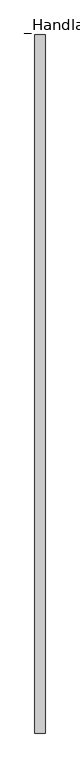
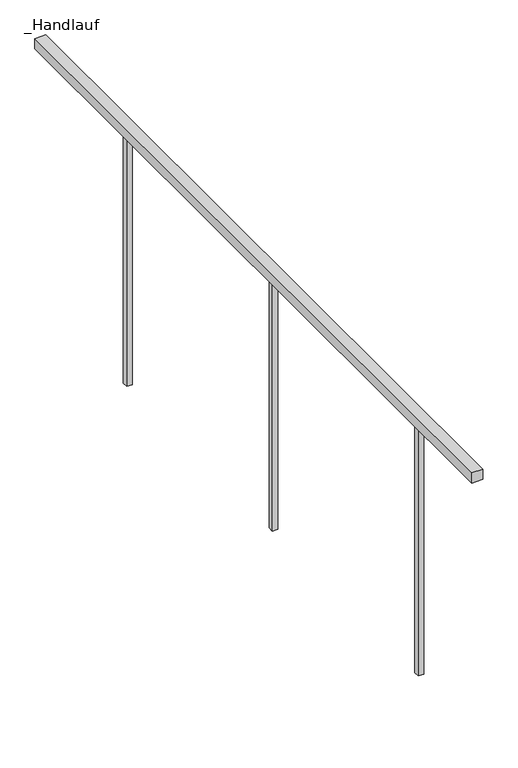
"""IFC4 building model written with IfcOpenShell, lengths in millimetres: railing geometry, _Handlauf."""

import ifcopenshell
import ifcopenshell.guid

model = None  # the IFC model being written
_history = None  # IfcOwnerHistory: only IFC2X3 demands one
_inside = {}  # id of a spatial element -> (the spatial element, [elements in it])
_under = {}  # id of a project, library or spatial element -> (it, [spatial elements below it])
_declared = {}  # id of a project -> (the project, [libraries it declares])
_typed = {}  # id of a type object -> (the type object, [elements of that type])
_made_of = {}  # id of a material, layer set ... -> (it, [elements and type objects made of it])


def new_model(schema):
    """Start an empty IFC model of exactly this schema.

    Asked for "IFC4X3", IfcOpenShell would pick the latest addendum, in which some entities
    have other attributes; the version numbers below select the first issue.
    IFC2X3 requires an IfcOwnerHistory on every rooted entity: one is made here for all.
    """
    global model, _history
    if schema == "IFC4X3":
        model = ifcopenshell.file(schema_version=(4, 3, 0, 0))
    else:
        model = ifcopenshell.file(schema=schema)
    _inside.clear()
    _under.clear()
    _declared.clear()
    _typed.clear()
    _made_of.clear()
    _history = None
    if model.schema == "IFC2X3":
        org = make("IfcOrganization", Name="unknown")
        user = make(
            "IfcPersonAndOrganization",
            ThePerson=make("IfcPerson", FamilyName="unknown"),
            TheOrganization=org,
        )
        app = make(
            "IfcApplication",
            ApplicationDeveloper=org,
            Version="unknown",
            ApplicationFullName="unknown",
            ApplicationIdentifier="unknown",
        )
        _history = make(
            "IfcOwnerHistory",
            OwningUser=user,
            OwningApplication=app,
            ChangeAction="ADDED",
            CreationDate=0,
        )
    return model


def make(cls, **values):
    """One entity of the class cls with the attributes given. An attribute that is None is left unset."""
    return model.create_entity(
        cls, **{name: value for name, value in values.items() if value is not None}
    )


def rooted(cls, **values):
    """An entity with a GlobalId (a new one), such as an element, a storey or a relation."""
    return make(cls, GlobalId=ifcopenshell.guid.new(), OwnerHistory=_history, **values)


def si_unit(unit_type, name, prefix=None):
    """IfcSIUnit, for example si_unit("LENGTHUNIT", "METRE", prefix="MILLI")."""
    return make("IfcSIUnit", UnitType=unit_type, Prefix=prefix, Name=name)


def assignment(units):
    """IfcUnitAssignment: the units of a project."""
    return None if units is None else make("IfcUnitAssignment", Units=units)


def point(xyz):
    """IfcCartesianPoint."""
    return None if xyz is None else make("IfcCartesianPoint", Coordinates=xyz)


def direction(xyz):
    """IfcDirection."""
    return None if xyz is None else make("IfcDirection", DirectionRatios=xyz)


def frame(location, z_axis=None, x_axis=None):
    """IfcAxis2Placement3D, a coordinate frame: its origin and axes. An axis left out is left unset."""
    return make(
        "IfcAxis2Placement3D",
        Location=point(location),
        Axis=direction(z_axis),
        RefDirection=direction(x_axis),
    )


def origin():
    """The frame at (0, 0, 0) with its axes left unset."""
    return frame((0.0, 0.0, 0.0))


def place(relative_to, where):
    """IfcLocalPlacement: puts the frame where relative to a parent placement (None: the world)."""
    return make(
        "IfcLocalPlacement", PlacementRelTo=relative_to, RelativePlacement=where
    )


def context(
    kind, dimensions, precision=None, world=None, true_north=None, identifier=None
):
    """IfcGeometricRepresentationContext, for example the 3D "Model" context."""
    return make(
        "IfcGeometricRepresentationContext",
        ContextIdentifier=identifier,
        ContextType=kind,
        CoordinateSpaceDimension=dimensions,
        Precision=precision,
        WorldCoordinateSystem=world,
        TrueNorth=true_north,
    )


def project(units=None, contexts=None):
    """IfcProject with its units and contexts."""
    return rooted(
        "IfcProject",
        Name="project",
        RepresentationContexts=contexts,
        UnitsInContext=assignment(units),
    )


def spatial(cls, under=None, at=None, **own):
    """A site, building, storey or space (cls), placed at a placement, below another one or the project."""
    s = rooted(cls, ObjectPlacement=at, **own)
    if under is not None:
        _under.setdefault(under.id(), (under, []))[1].append(s)
    return s


def polyline(points):
    """IfcPolyline through the points."""
    return make("IfcPolyline", Points=[point(p) for p in points])


def outline(outer, holes=None, kind="AREA"):
    """IfcArbitraryClosedProfileDef: a profile drawn as a closed curve; with holes, ...WithVoids."""
    if holes is None:
        return make("IfcArbitraryClosedProfileDef", ProfileType=kind, OuterCurve=outer)
    return make(
        "IfcArbitraryProfileDefWithVoids",
        ProfileType=kind,
        OuterCurve=outer,
        InnerCurves=holes,
    )


def extrude(swept, where, along, depth):
    """IfcExtrudedAreaSolid: the profile swept, set in the frame where, extruded along a direction by depth."""
    return make(
        "IfcExtrudedAreaSolid",
        SweptArea=swept,
        Position=where,
        ExtrudedDirection=direction(along),
        Depth=depth,
    )


def shape(context_of_items, identifier, shape_type, items):
    """IfcShapeRepresentation: the items that make up one representation, for example the "Body"."""
    return make(
        "IfcShapeRepresentation",
        ContextOfItems=context_of_items,
        RepresentationIdentifier=identifier,
        RepresentationType=shape_type,
        Items=items,
    )


def source(mapping_origin, context_of_items, identifier, shape_type, items):
    """IfcRepresentationMap: a shape defined once, which mapped items show again and again."""
    return make(
        "IfcRepresentationMap",
        MappingOrigin=mapping_origin,
        MappedRepresentation=shape(context_of_items, identifier, shape_type, items),
    )


def transform(
    local_origin,
    x_axis=None,
    y_axis=None,
    z_axis=None,
    scale=None,
    scale2=None,
    scale3=None,
    uniform=True,
):
    """IfcCartesianTransformationOperator3D, or its non-uniform kind. x_axis, y_axis, z_axis: its Axis1, 2, 3."""
    if uniform:
        return make(
            "IfcCartesianTransformationOperator3D",
            Axis1=direction(x_axis),
            Axis2=direction(y_axis),
            LocalOrigin=point(local_origin),
            Scale=scale,
            Axis3=direction(z_axis),
        )
    return make(
        "IfcCartesianTransformationOperator3DnonUniform",
        Axis1=direction(x_axis),
        Axis2=direction(y_axis),
        LocalOrigin=point(local_origin),
        Scale=scale,
        Axis3=direction(z_axis),
        Scale2=scale2,
        Scale3=scale3,
    )


def mapped(mapping_source, mapping_target):
    """IfcMappedItem: shows the shape of a source again, moved by a transform."""
    return make(
        "IfcMappedItem", MappingSource=mapping_source, MappingTarget=mapping_target
    )


def made_of(thing, what):
    """Note that an element or type object is made of a material, layer set ...; save() writes the relation."""
    if what is not None:
        _made_of.setdefault(what.id(), (what, []))[1].append(thing)
    return thing


def element(
    cls,
    number,
    at=None,
    inside=None,
    cuts=None,
    type_object=None,
    material=None,
    context=None,
    identifier="Body",
    shape_type=None,
    held_by="IfcProductDefinitionShape",
    body=None,
    shapes=None,
    **own,
):
    """One element of the class cls, such as IfcWall. Its Tag is "e" and its number.

    at: its placement. inside: the storey or other place that contains it. cuts: it is an
    opening in that element (IfcRelVoidsElement). A single representation is given by context,
    identifier, shape_type and body (its items); several are given by shapes. held_by: the class
    of the entity that holds the representations. save() writes the other relations.
    """
    e = rooted(cls, Tag="e%d" % number, ObjectPlacement=at, **own)
    if body is not None:
        shapes = [shape(context, identifier, shape_type, body)]
    if shapes is not None:
        e.Representation = make(held_by, Representations=shapes)
    if inside is not None:
        _inside.setdefault(inside.id(), (inside, []))[1].append(e)
    if cuts is not None:
        rooted(
            "IfcRelVoidsElement", RelatingBuildingElement=cuts, RelatedOpeningElement=e
        )
    if type_object is not None:
        _typed.setdefault(type_object.id(), (type_object, []))[1].append(e)
    return made_of(e, material)


def aggregate(whole, parts):
    """IfcRelAggregates: a whole, such as a stair, and the parts it consists of."""
    return rooted("IfcRelAggregates", RelatingObject=whole, RelatedObjects=parts)


def save(model, path):
    """Write the relations noted so far, then the file.

    IfcRelAggregates (storeys below a building ...), IfcRelContainedInSpatialStructure (elements
    in a storey), IfcRelDefinesByType, IfcRelAssociatesMaterial and IfcRelDeclares: one each for
    every whole, place, type object, material and project.
    """
    for whole, parts in _under.values():
        aggregate(whole, parts)
    for where, things in _inside.values():
        rooted(
            "IfcRelContainedInSpatialStructure",
            RelatedElements=things,
            RelatingStructure=where,
        )
    for kind, things in _typed.values():
        rooted("IfcRelDefinesByType", RelatedObjects=things, RelatingType=kind)
    for what, things in _made_of.values():
        rooted("IfcRelAssociatesMaterial", RelatedObjects=things, RelatingMaterial=what)
    for by, libraries in _declared.values():
        rooted("IfcRelDeclares", RelatingContext=by, RelatedDefinitions=libraries)
    model.write(path)


def handlauf_20c1b45d(model_context):
    return source(origin(), model_context, "Body", "SweptSolid", [
        extrude(outline(polyline([(8940.0, 5050.0), (8980.0, 5050.0), (8980.0, 2300.0), (8940.0, 2300.0), (8940.0, 5050.0)])), frame((0.0, 0.0, 7960.0), z_axis=(0.0, 0.0, 1.0), x_axis=(1.0, 0.0, 0.0)), (0.0, 0.0, 1.0), 40.0),
        extrude(outline(polyline([(8950.0, 2676.6666667), (8970.0, 2676.6666667), (8970.0, 2656.6666667), (8950.0, 2656.6666667), (8950.0, 2676.6666667)])), frame((0.0, 0.0, 7000.0), z_axis=(0.0, 0.0, 1.0), x_axis=(1.0, 0.0, 0.0)), (0.0, 0.0, 1.0), 960.0),
        extrude(outline(polyline([(8950.0, 3593.3333333), (8970.0, 3593.3333333), (8970.0, 3573.3333333), (8950.0, 3573.3333333), (8950.0, 3593.3333333)])), frame((0.0, 0.0, 7000.0), z_axis=(0.0, 0.0, 1.0), x_axis=(1.0, 0.0, 0.0)), (0.0, 0.0, 1.0), 960.0),
        extrude(outline(polyline([(8950.0, 4510.0), (8970.0, 4510.0), (8970.0, 4490.0), (8950.0, 4490.0), (8950.0, 4510.0)])), frame((0.0, 0.0, 7000.0), z_axis=(0.0, 0.0, 1.0), x_axis=(1.0, 0.0, 0.0)), (0.0, 0.0, 1.0), 960.0),
    ])


if __name__ == "__main__":
    model = new_model("IFC4")
    model_context = context("Model", 3, world=origin())
    ifc_project = project(units=[si_unit("LENGTHUNIT", "METRE", prefix="MILLI")], contexts=[model_context])
    site = spatial("IfcSite", under=ifc_project)
    building = spatial("IfcBuilding", under=site)
    placement = place(None, origin())
    handlauf_shape = handlauf_20c1b45d(model_context)
    element("IfcRailing", 1, ObjectType="_Handlauf", at=placement, inside=building, context=model_context, shape_type="MappedRepresentation", body=[
        mapped(handlauf_shape, transform((0.0, 0.0, 0.0), x_axis=(1.0, 0.0, 0.0), y_axis=(0.0, 1.0, 0.0), z_axis=(0.0, 0.0, 1.0))),
    ])
    save(model, "model.ifc")
